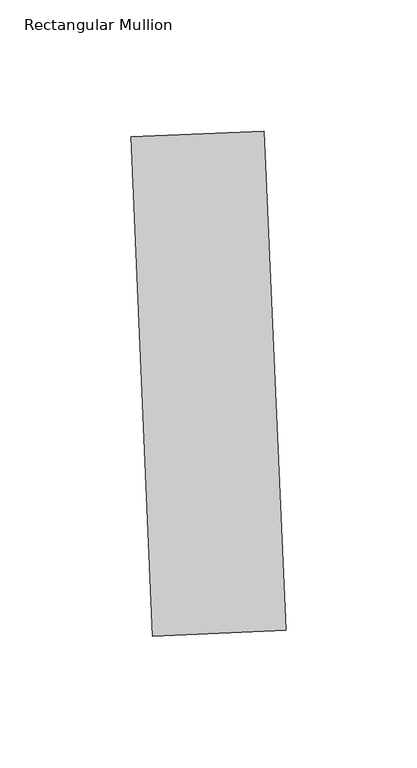
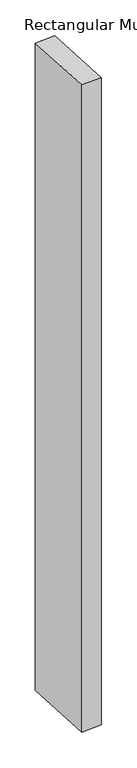
"""IFC4 building model written with IfcOpenShell, lengths in millimetres: member geometry, Rectangular Mullion."""

import ifcopenshell
import ifcopenshell.guid

model = None  # the IFC model being written
_history = None  # IfcOwnerHistory: only IFC2X3 demands one
_inside = {}  # id of a spatial element -> (the spatial element, [elements in it])
_under = {}  # id of a project, library or spatial element -> (it, [spatial elements below it])
_declared = {}  # id of a project -> (the project, [libraries it declares])
_typed = {}  # id of a type object -> (the type object, [elements of that type])
_made_of = {}  # id of a material, layer set ... -> (it, [elements and type objects made of it])


def new_model(schema):
    """Start an empty IFC model of exactly this schema.

    Asked for "IFC4X3", IfcOpenShell would pick the latest addendum, in which some entities
    have other attributes; the version numbers below select the first issue.
    IFC2X3 requires an IfcOwnerHistory on every rooted entity: one is made here for all.
    """
    global model, _history
    if schema == "IFC4X3":
        model = ifcopenshell.file(schema_version=(4, 3, 0, 0))
    else:
        model = ifcopenshell.file(schema=schema)
    _inside.clear()
    _under.clear()
    _declared.clear()
    _typed.clear()
    _made_of.clear()
    _history = None
    if model.schema == "IFC2X3":
        org = make("IfcOrganization", Name="unknown")
        user = make(
            "IfcPersonAndOrganization",
            ThePerson=make("IfcPerson", FamilyName="unknown"),
            TheOrganization=org,
        )
        app = make(
            "IfcApplication",
            ApplicationDeveloper=org,
            Version="unknown",
            ApplicationFullName="unknown",
            ApplicationIdentifier="unknown",
        )
        _history = make(
            "IfcOwnerHistory",
            OwningUser=user,
            OwningApplication=app,
            ChangeAction="ADDED",
            CreationDate=0,
        )
    return model


def make(cls, **values):
    """One entity of the class cls with the attributes given. An attribute that is None is left unset."""
    return model.create_entity(
        cls, **{name: value for name, value in values.items() if value is not None}
    )


def rooted(cls, **values):
    """An entity with a GlobalId (a new one), such as an element, a storey or a relation."""
    return make(cls, GlobalId=ifcopenshell.guid.new(), OwnerHistory=_history, **values)


def si_unit(unit_type, name, prefix=None):
    """IfcSIUnit, for example si_unit("LENGTHUNIT", "METRE", prefix="MILLI")."""
    return make("IfcSIUnit", UnitType=unit_type, Prefix=prefix, Name=name)


def assignment(units):
    """IfcUnitAssignment: the units of a project."""
    return None if units is None else make("IfcUnitAssignment", Units=units)


def point(xyz):
    """IfcCartesianPoint."""
    return None if xyz is None else make("IfcCartesianPoint", Coordinates=xyz)


def direction(xyz):
    """IfcDirection."""
    return None if xyz is None else make("IfcDirection", DirectionRatios=xyz)


def frame(location, z_axis=None, x_axis=None):
    """IfcAxis2Placement3D, a coordinate frame: its origin and axes. An axis left out is left unset."""
    return make(
        "IfcAxis2Placement3D",
        Location=point(location),
        Axis=direction(z_axis),
        RefDirection=direction(x_axis),
    )


def origin():
    """The frame at (0, 0, 0) with its axes left unset."""
    return frame((0.0, 0.0, 0.0))


def place(relative_to, where):
    """IfcLocalPlacement: puts the frame where relative to a parent placement (None: the world)."""
    return make(
        "IfcLocalPlacement", PlacementRelTo=relative_to, RelativePlacement=where
    )


def context(
    kind, dimensions, precision=None, world=None, true_north=None, identifier=None
):
    """IfcGeometricRepresentationContext, for example the 3D "Model" context."""
    return make(
        "IfcGeometricRepresentationContext",
        ContextIdentifier=identifier,
        ContextType=kind,
        CoordinateSpaceDimension=dimensions,
        Precision=precision,
        WorldCoordinateSystem=world,
        TrueNorth=true_north,
    )


def project(units=None, contexts=None):
    """IfcProject with its units and contexts."""
    return rooted(
        "IfcProject",
        Name="project",
        RepresentationContexts=contexts,
        UnitsInContext=assignment(units),
    )


def spatial(cls, under=None, at=None, **own):
    """A site, building, storey or space (cls), placed at a placement, below another one or the project."""
    s = rooted(cls, ObjectPlacement=at, **own)
    if under is not None:
        _under.setdefault(under.id(), (under, []))[1].append(s)
    return s


def polyline(points):
    """IfcPolyline through the points."""
    return make("IfcPolyline", Points=[point(p) for p in points])


def outline(outer, holes=None, kind="AREA"):
    """IfcArbitraryClosedProfileDef: a profile drawn as a closed curve; with holes, ...WithVoids."""
    if holes is None:
        return make("IfcArbitraryClosedProfileDef", ProfileType=kind, OuterCurve=outer)
    return make(
        "IfcArbitraryProfileDefWithVoids",
        ProfileType=kind,
        OuterCurve=outer,
        InnerCurves=holes,
    )


def extrude(swept, where, along, depth):
    """IfcExtrudedAreaSolid: the profile swept, set in the frame where, extruded along a direction by depth."""
    return make(
        "IfcExtrudedAreaSolid",
        SweptArea=swept,
        Position=where,
        ExtrudedDirection=direction(along),
        Depth=depth,
    )


def shape(context_of_items, identifier, shape_type, items):
    """IfcShapeRepresentation: the items that make up one representation, for example the "Body"."""
    return make(
        "IfcShapeRepresentation",
        ContextOfItems=context_of_items,
        RepresentationIdentifier=identifier,
        RepresentationType=shape_type,
        Items=items,
    )


def source(mapping_origin, context_of_items, identifier, shape_type, items):
    """IfcRepresentationMap: a shape defined once, which mapped items show again and again."""
    return make(
        "IfcRepresentationMap",
        MappingOrigin=mapping_origin,
        MappedRepresentation=shape(context_of_items, identifier, shape_type, items),
    )


def transform(
    local_origin,
    x_axis=None,
    y_axis=None,
    z_axis=None,
    scale=None,
    scale2=None,
    scale3=None,
    uniform=True,
):
    """IfcCartesianTransformationOperator3D, or its non-uniform kind. x_axis, y_axis, z_axis: its Axis1, 2, 3."""
    if uniform:
        return make(
            "IfcCartesianTransformationOperator3D",
            Axis1=direction(x_axis),
            Axis2=direction(y_axis),
            LocalOrigin=point(local_origin),
            Scale=scale,
            Axis3=direction(z_axis),
        )
    return make(
        "IfcCartesianTransformationOperator3DnonUniform",
        Axis1=direction(x_axis),
        Axis2=direction(y_axis),
        LocalOrigin=point(local_origin),
        Scale=scale,
        Axis3=direction(z_axis),
        Scale2=scale2,
        Scale3=scale3,
    )


def mapped(mapping_source, mapping_target):
    """IfcMappedItem: shows the shape of a source again, moved by a transform."""
    return make(
        "IfcMappedItem", MappingSource=mapping_source, MappingTarget=mapping_target
    )


def made_of(thing, what):
    """Note that an element or type object is made of a material, layer set ...; save() writes the relation."""
    if what is not None:
        _made_of.setdefault(what.id(), (what, []))[1].append(thing)
    return thing


def element(
    cls,
    number,
    at=None,
    inside=None,
    cuts=None,
    type_object=None,
    material=None,
    context=None,
    identifier="Body",
    shape_type=None,
    held_by="IfcProductDefinitionShape",
    body=None,
    shapes=None,
    **own,
):
    """One element of the class cls, such as IfcWall. Its Tag is "e" and its number.

    at: its placement. inside: the storey or other place that contains it. cuts: it is an
    opening in that element (IfcRelVoidsElement). A single representation is given by context,
    identifier, shape_type and body (its items); several are given by shapes. held_by: the class
    of the entity that holds the representations. save() writes the other relations.
    """
    e = rooted(cls, Tag="e%d" % number, ObjectPlacement=at, **own)
    if body is not None:
        shapes = [shape(context, identifier, shape_type, body)]
    if shapes is not None:
        e.Representation = make(held_by, Representations=shapes)
    if inside is not None:
        _inside.setdefault(inside.id(), (inside, []))[1].append(e)
    if cuts is not None:
        rooted(
            "IfcRelVoidsElement", RelatingBuildingElement=cuts, RelatedOpeningElement=e
        )
    if type_object is not None:
        _typed.setdefault(type_object.id(), (type_object, []))[1].append(e)
    return made_of(e, material)


def aggregate(whole, parts):
    """IfcRelAggregates: a whole, such as a stair, and the parts it consists of."""
    return rooted("IfcRelAggregates", RelatingObject=whole, RelatedObjects=parts)


def save(model, path):
    """Write the relations noted so far, then the file.

    IfcRelAggregates (storeys below a building ...), IfcRelContainedInSpatialStructure (elements
    in a storey), IfcRelDefinesByType, IfcRelAssociatesMaterial and IfcRelDeclares: one each for
    every whole, place, type object, material and project.
    """
    for whole, parts in _under.values():
        aggregate(whole, parts)
    for where, things in _inside.values():
        rooted(
            "IfcRelContainedInSpatialStructure",
            RelatedElements=things,
            RelatingStructure=where,
        )
    for kind, things in _typed.values():
        rooted("IfcRelDefinesByType", RelatedObjects=things, RelatingType=kind)
    for what, things in _made_of.values():
        rooted("IfcRelAssociatesMaterial", RelatedObjects=things, RelatingMaterial=what)
    for by, libraries in _declared.values():
        rooted("IfcRelDeclares", RelatingContext=by, RelatedDefinitions=libraries)
    model.write(path)


def rectangular_mullion_d28281ca(model_context):
    return source(origin(), model_context, "Body", "SweptSolid", [
        extrude(outline(polyline([(32.4388941, -160.6629508), (-18.3127555, -162.8788157), (-26.6222488, 27.4398705), (24.1294008, 29.6557354), (32.4388941, -160.6629508)])), frame((0.0, 0.0, -1739.9), z_axis=(0.0, 0.0, 1.0), x_axis=(1.0, 0.0, 0.0)), (0.0, 0.0, 1.0), 1739.9),
    ])


if __name__ == "__main__":
    model = new_model("IFC4")
    model_context = context("Model", 3, world=origin())
    ifc_project = project(units=[si_unit("LENGTHUNIT", "METRE", prefix="MILLI")], contexts=[model_context])
    site = spatial("IfcSite", under=ifc_project)
    building = spatial("IfcBuilding", under=site)
    placement = place(None, origin())
    rectangular_mullion_shape = rectangular_mullion_d28281ca(model_context)
    element("IfcMember", 1, ObjectType="Rectangular Mullion", at=placement, inside=building, context=model_context, shape_type="MappedRepresentation", body=[
        mapped(rectangular_mullion_shape, transform((0.0, 0.0, 0.0), x_axis=(1.0, 0.0, 0.0), y_axis=(0.0, 1.0, 0.0), z_axis=(0.0, 0.0, 1.0))),
    ])
    save(model, "model.ifc")
